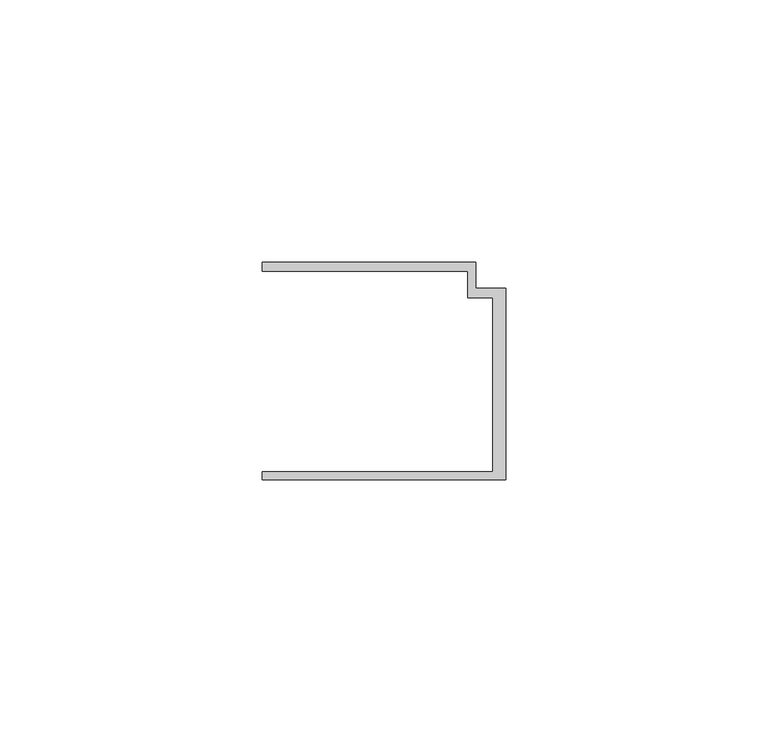
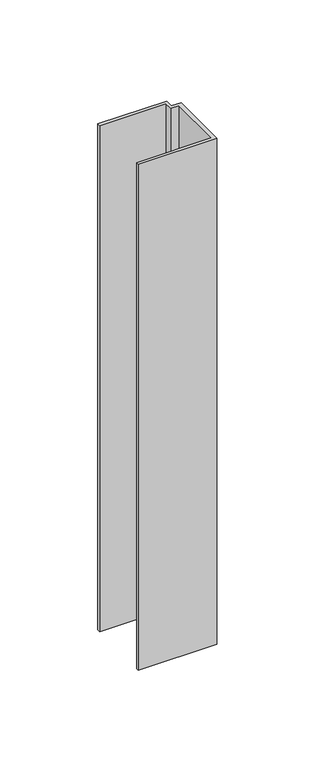
"""IFC4 building model written with IfcOpenShell, lengths in millimetres: member geometry."""

from ifc_helpers import new_model, si_unit, frame, origin, place, context, project, spatial, polyline, outline, extrude, source, transform, mapped, element, save


def member_c78ec66d(model_context):
    return source(origin(), model_context, "Body", "SweptSolid", [
        extrude(outline(polyline([(-46.3, -19.2), (-2.4, -19.2), (-2.4, 14.0), (-7.2, 14.0), (-7.2, 19.0), (-46.3, 19.0), (-46.3, 20.7), (-5.6999992, 20.7), (-5.6999992, 15.8), (0.0, 15.8), (0.0, -20.7), (-46.3, -20.7), (-46.3, -19.2)])), frame((0.0, 0.0, -315.6397368), z_axis=(0.0, 0.0, 1.0), x_axis=(1.0, 0.0, 0.0)), (0.0, 0.0, 1.0), 315.6397368),
    ])


if __name__ == "__main__":
    model = new_model("IFC4")
    model_context = context("Model", 3, world=origin())
    ifc_project = project(units=[si_unit("LENGTHUNIT", "METRE", prefix="MILLI")], contexts=[model_context])
    site = spatial("IfcSite", under=ifc_project)
    building = spatial("IfcBuilding", under=site)
    placement = place(None, origin())
    member_shape = member_c78ec66d(model_context)
    element("IfcMember", 1, at=placement, inside=building, context=model_context, shape_type="MappedRepresentation", body=[
        mapped(member_shape, transform((0.0, 0.0, 0.0), x_axis=(1.0, 0.0, 0.0), y_axis=(0.0, 1.0, 0.0), z_axis=(0.0, 0.0, 1.0))),
    ])
    save(model, "model.ifc")
